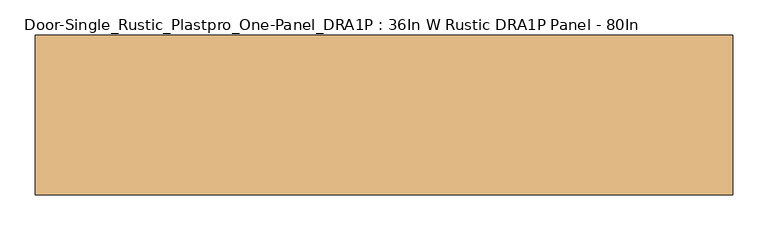
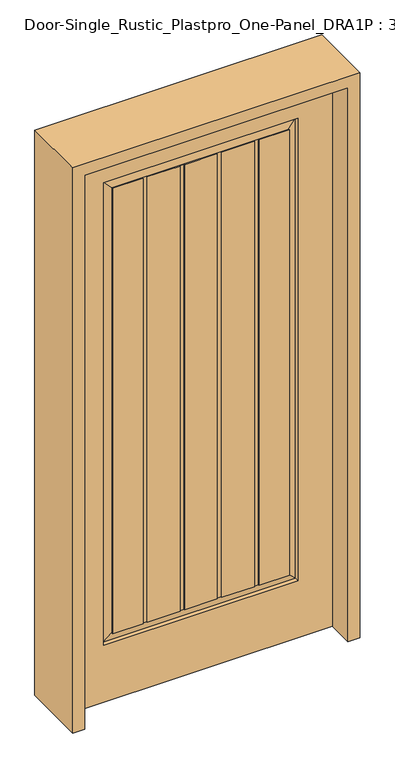
"""IFC4 building model written with IfcOpenShell, lengths in millimetres: door geometry, Door-Single_Rustic_Plastpro_One-Panel_DRA1P : 36In W Rustic DRA1P Panel - 80In."""

from ifc_helpers import new_model, si_unit, frame, origin, place, context, project, spatial, polyline, outline, extrude, faceted_brep, source, transform, mapped, element, save


def door_single_rustic_plastpro_one_panel_dra1p_36in_w_rustic_1455b603(model_context):
    return source(origin(), model_context, "Body", "SolidModel", [
        faceted_brep([(457.2, 20.6375, 0.0), (-457.2, 20.6375, 0.0), (-457.2, 20.6375, 2032.0), (457.2, 20.6375, 2032.0), (186.0818925, 20.6375, 209.55), (201.36158, 20.6375, 209.55), (338.1375, 20.6375, 209.55), (338.1375, 20.6375, 1905.0), (-338.1375, 20.6375, 1905.0), (-338.1375, 20.6375, 209.55), (-202.5442675, 20.6375, 209.55), (-187.26458, 20.6375, 209.55), (-73.0022142, 20.6375, 209.55), (-57.7225267, 20.6375, 209.55), (56.5398392, 20.6375, 209.55), (71.8195267, 20.6375, 209.55), (201.36158, 20.6375, 1866.9), (186.0818925, 20.6375, 1866.9), (186.0818925, 20.6375, 240.75717), (71.8195267, 20.6375, 240.75717), (71.8195267, 20.6375, 1866.9), (56.5398392, 20.6375, 1866.9), (56.5398392, 20.6375, 240.75717), (-57.7225267, 20.6375, 240.75717), (-57.7225267, 20.6375, 1866.9), (-73.0022142, 20.6375, 1866.9), (-73.0022142, 20.6375, 240.75717), (-187.26458, 20.6375, 240.75717), (-187.26458, 20.6375, 1866.9), (-202.5442675, 20.6375, 1866.9), (-202.5442675, 20.6375, 240.75717), (-306.93033, 20.6375, 240.75717), (-306.93033, 20.6375, 1873.79283), (306.93033, 20.6375, 1873.79283), (306.93033, 20.6375, 240.75717), (201.36158, 20.6375, 240.75717), (457.2, -20.6375, 0.0), (-457.2, -20.6375, 0.0), (-457.2, -20.6375, 2032.0), (457.2, -20.6375, 2032.0), (186.0818925, 17.4625, 209.55), (201.36158, 17.4625, 209.55), (-73.0022142, 17.4625, 209.55), (-57.7225267, 17.4625, 209.55), (56.5398392, 17.4625, 209.55), (71.8195267, 17.4625, 209.55), (201.36158, 17.4625, 210.9636011), (201.36158, 17.4625, 1866.9), (201.36158, 17.4625, 240.75717), (-73.0022142, 17.4625, 210.9636011), (-73.0022142, 17.4625, 1866.9), (-73.0022142, 17.4625, 240.75717), (186.0818925, 17.4625, 210.9636011), (186.0818925, 17.4625, 1866.9), (186.0818925, 17.4625, 240.75717), (71.8195267, 17.4625, 210.9636011), (71.8195267, 17.4625, 1866.9), (71.8195267, 17.4625, 240.75717), (56.5398392, 17.4625, 210.9636011), (56.5398392, 17.4625, 1866.9), (56.5398392, 17.4625, 240.75717), (-57.7225267, 17.4625, 210.9636011), (-57.7225267, 17.4625, 1866.9), (-57.7225267, 17.4625, 240.75717), (338.1375, -20.6375, 209.55), (-338.1375, -20.6375, 209.55), (-338.1375, -20.6375, 1905.0), (338.1375, -20.6375, 1905.0), (-56.9340683, -20.6375, 1873.79283), (-56.9340683, -20.6375, 240.75717), (56.9340683, -20.6375, 240.75717), (56.9340683, -20.6375, 1873.79283), (-72.2137558, -20.6375, 240.75717), (-72.2137558, -20.6375, 1873.79283), (-186.0818925, -20.6375, 1873.79283), (-186.0818925, -20.6375, 240.75717), (72.2137558, -20.6375, 1873.79283), (72.2137558, -20.6375, 240.75717), (186.0818925, -20.6375, 240.75717), (186.0818925, -20.6375, 1873.79283), (201.36158, -20.6375, 1873.79283), (201.36158, -20.6375, 240.75717), (306.93033, -20.6375, 240.75717), (306.93033, -20.6375, 1873.79283), (-201.36158, -20.6375, 240.75717), (-201.36158, -20.6375, 1873.79283), (-306.93033, -20.6375, 1873.79283), (-306.93033, -20.6375, 240.75717), (-56.9340683, -17.4625, 1873.79283), (-56.9340683, -17.4625, 240.75717), (56.9340683, -17.4625, 240.75717), (56.9340683, -17.4625, 1873.79283), (72.2137558, -17.4625, 1873.79283), (72.2137558, -17.4625, 240.75717), (-72.2137558, -17.4625, 240.75717), (-72.2137558, -17.4625, 1873.79283), (201.36158, -17.4625, 1873.79283), (201.36158, -17.4625, 240.75717), (-333.918693, 11.1619043, 213.768807), (333.918693, 11.1619043, 213.768807), (-187.26458, 17.4625, 210.9636011), (-202.5442675, 17.4625, 210.9636011), (333.918693, 11.1619043, 1900.781193), (-333.918693, 11.1619043, 1900.781193), (-202.5442675, 17.4625, 209.55), (-187.26458, 17.4625, 209.55), (306.93033, 16.4079106, 240.75717), (-306.93033, 16.4079106, 240.75717), (-202.5442675, 17.4625, 240.75717), (-187.26458, 17.4625, 240.75717), (-187.26458, 17.4625, 1866.9), (-202.5442675, 17.4625, 1866.9), (-306.93033, 16.4079106, 1873.79283), (306.93033, 16.4079106, 1873.79283), (-306.93033, -16.4079106, 240.75717), (306.93033, -16.4079106, 240.75717), (186.0818925, -17.4625, 240.75717), (-186.0818925, -17.4625, 240.75717), (-201.36158, -17.4625, 240.75717), (-186.0818925, -17.4625, 1873.79283), (186.0818925, -17.4625, 1873.79283), (333.918693, -11.1619043, 213.768807), (-333.918693, -11.1619043, 213.768807), (-333.918693, -11.1619043, 1900.781193), (333.918693, -11.1619043, 1900.781193), (306.93033, -16.4079106, 1873.79283), (-201.36158, -17.4625, 1873.79283), (-306.93033, -16.4079106, 1873.79283)], [[[0, 1, 2, 3], [4, 5, 6, 7, 8, 9, 10, 11, 12, 13, 14, 15]], [[16, 17, 18, 19, 20, 21, 22, 23, 24, 25, 26, 27, 28, 29, 30, 31, 32, 33, 34, 35]], [[1, 0, 36, 37]], [[2, 1, 37, 38]], [[0, 3, 39, 36]], [[5, 4, 40, 41]], [[13, 12, 42, 43]], [[15, 14, 44, 45]], [[5, 41, 46]], [[47, 16, 35, 48]], [[42, 12, 49]], [[25, 50, 51, 26]], [[40, 4, 52]], [[17, 53, 54, 18]], [[15, 45, 55]], [[56, 20, 19, 57]], [[44, 14, 58]], [[21, 59, 60, 22]], [[13, 43, 61]], [[62, 24, 23, 63]], [[37, 36, 39, 38], [64, 65, 66, 67]], [[68, 69, 70, 71]], [[72, 73, 74, 75]], [[76, 77, 78, 79]], [[80, 81, 82, 83]], [[84, 85, 86, 87]], [[69, 68, 88, 89]], [[71, 70, 90, 91]], [[77, 76, 92, 93]], [[73, 72, 94, 95]], [[81, 80, 96, 97]], [[89, 88, 95, 94]], [[93, 92, 91, 90]], [[43, 42, 49, 61]], [[50, 62, 63, 51]], [[45, 44, 58, 55]], [[59, 56, 57, 60]], [[41, 40, 52, 46]], [[53, 47, 48, 54]], [[3, 2, 38, 39]], [[17, 16, 47, 53]], [[25, 24, 62, 50]], [[21, 20, 56, 59]], [[98, 99, 6, 5, 46, 52, 4, 15, 55, 58, 14, 13, 61, 49, 12, 11, 100, 101, 10, 9]], [[6, 99, 102, 7]], [[98, 9, 8, 103]], [[11, 10, 104, 105]], [[106, 107, 31, 30, 108, 109, 27, 26, 51, 63, 23, 22, 60, 57, 19, 18, 54, 48, 35, 34]], [[11, 105, 100]], [[110, 28, 27, 109]], [[104, 10, 101]], [[29, 111, 108, 30]], [[31, 107, 112, 32]], [[106, 34, 33, 113]], [[114, 115, 82, 81, 97, 116, 78, 77, 93, 90, 70, 69, 89, 94, 72, 75, 117, 118, 84, 87]], [[75, 74, 119, 117]], [[79, 78, 116, 120]], [[121, 122, 65, 64]], [[65, 122, 123, 66]], [[121, 64, 67, 124]], [[82, 115, 125, 83]], [[85, 84, 118, 126]], [[114, 87, 86, 127]], [[115, 114, 122, 121]], [[97, 96, 120, 116]], [[117, 119, 126, 118]], [[122, 114, 127, 123]], [[115, 121, 124, 125]], [[99, 98, 107, 106]], [[105, 104, 101, 100]], [[111, 110, 109, 108]], [[107, 98, 103, 112]], [[99, 106, 113, 102]], [[7, 102, 103, 8]], [[124, 67, 66, 123]], [[125, 124, 123, 127]], [[102, 113, 112, 103]], [[83, 125, 127, 86, 85, 126, 119, 74, 73, 95, 88, 68, 71, 91, 92, 76, 79, 120, 96, 80]], [[113, 33, 32, 112]], [[29, 28, 110, 111]]]),
        extrude(outline(polyline([(2073.275, -498.475), (0.0, -498.475), (0.0, -457.2), (2032.0, -457.2), (2032.0, 457.2), (0.0, 457.2), (0.0, 498.475), (2073.275, 498.475), (2073.275, -498.475)])), frame((0.0, -114.3, 0.0), z_axis=(0.0, 1.0, 0.0), x_axis=(0.0, 0.0, 1.0)), (0.0, 0.0, 1.0), 228.6),
    ])


if __name__ == "__main__":
    model = new_model("IFC4")
    model_context = context("Model", 3, world=origin())
    ifc_project = project(units=[si_unit("LENGTHUNIT", "METRE", prefix="MILLI")], contexts=[model_context])
    site = spatial("IfcSite", under=ifc_project)
    building = spatial("IfcBuilding", under=site)
    placement = place(None, origin())
    door_single_rustic_plastpro_one_panel_dra1p_36in_w_rustic_shape = door_single_rustic_plastpro_one_panel_dra1p_36in_w_rustic_1455b603(model_context)
    element("IfcDoor", 1, ObjectType="Door-Single_Rustic_Plastpro_One-Panel_DRA1P : 36In W Rustic DRA1P Panel - 80In", at=placement, inside=building, context=model_context, shape_type="MappedRepresentation", body=[
        mapped(door_single_rustic_plastpro_one_panel_dra1p_36in_w_rustic_shape, transform((0.0, 0.0, 0.0), x_axis=(1.0, 0.0, 0.0), y_axis=(0.0, 1.0, 0.0), z_axis=(0.0, 0.0, 1.0))),
    ])
    save(model, "model.ifc")
